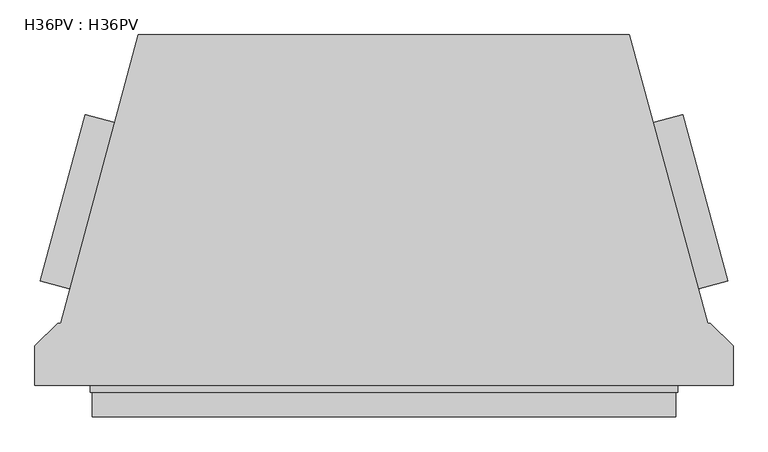
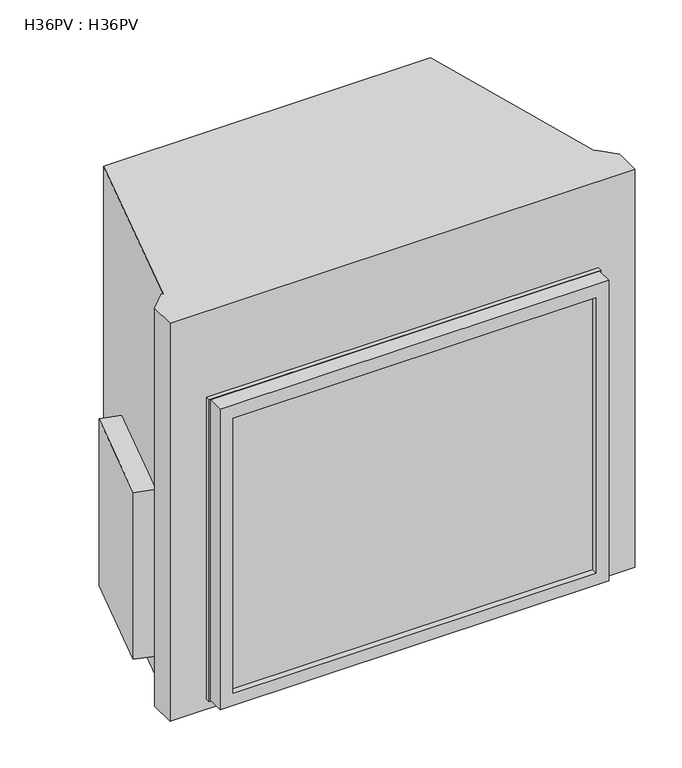
"""IFC4 building model written with IfcOpenShell, lengths in millimetres: proxy geometry, H36PV : H36PV."""

from ifc_helpers import new_model, si_unit, frame, origin, origin_with_axes, place, context, project, spatial, polyline, outline, extrude, faceted_brep, source, transform, mapped, element, save


def h36pv_h36pv_20852b2c(model_context):
    return source(origin(), model_context, "Body", "SolidModel", [
        faceted_brep([(-486.517936, -11.1760003, 822.325), (-486.517936, -52.019204, 822.325), (486.517936, -52.019204, 822.325), (486.517936, -11.1760003, 822.325), (-486.517936, -11.1760003, 28.575), (486.517936, -11.1760003, 28.575), (486.517936, -52.019204, 28.575), (-486.517936, -52.019204, 28.575), (-454.025, -52.019204, 787.4), (454.025, -52.019204, 787.4), (454.025, -52.019204, 60.325), (-454.025, -52.019204, 60.325), (454.025, -36.5125, 787.4), (-454.025, -36.5125, 787.4), (-454.025, -36.5125, 60.325), (454.025, -36.5125, 60.325)], [[[0, 1, 2, 3]], [[4, 5, 6, 7]], [[0, 3, 5, 4]], [[1, 0, 4, 7]], [[2, 1, 7, 6], [8, 9, 10, 11]], [[3, 2, 6, 5]], [[12, 13, 14, 15]], [[13, 12, 9, 8]], [[14, 13, 8, 11]], [[15, 14, 11, 10]], [[12, 15, 10, 9]]]),
        extrude(outline(polyline([(-489.7437394, 0.0), (489.7437394, 0.0), (489.7437394, -11.1760003), (-489.7437394, -11.1760003), (-489.7437394, 0.0)])), frame((0.0, 0.0, 25.4), z_axis=(0.0, 0.0, 1.0), x_axis=(1.0, 0.0, 0.0)), (0.0, 0.0, 1.0), 798.5125),
        extrude(outline(polyline([(-448.2440816, 438.9248731), (-523.9551133, 161.488086), (-572.5721436, 174.5149933), (-498.1412906, 452.2947636), (-448.2440816, 438.9248731)])), frame((0.0, 0.0, 53.975), z_axis=(0.0, 0.0, 1.0), x_axis=(1.0, 0.0, 0.0)), (0.0, 0.0, 1.0), 441.325),
        extrude(outline(polyline([(448.2440816, 438.9248731), (498.1412906, 452.2947636), (572.5721436, 174.5149933), (523.9551133, 161.488086), (448.2440816, 438.9248731)])), frame((0.0, 0.0, 53.975), z_axis=(0.0, 0.0, 1.0), x_axis=(1.0, 0.0, 0.0)), (0.0, 0.0, 1.0), 441.325),
        extrude(outline(polyline([(408.3843827, 584.987429), (539.6674871, 103.911397), (543.7187552, 103.911397), (581.8187594, 65.8114003), (581.8187594, 0.0), (-581.8187594, 0.0), (-581.8187594, 65.8114003), (-543.7187552, 103.911397), (-538.8982892, 103.911397), (-409.9943775, 584.987429), (408.3843827, 584.987429)])), origin_with_axes(), (0.0, 0.0, 1.0), 1051.71875),
    ])


if __name__ == "__main__":
    model = new_model("IFC4")
    model_context = context("Model", 3, world=origin())
    ifc_project = project(units=[si_unit("LENGTHUNIT", "METRE", prefix="MILLI")], contexts=[model_context])
    site = spatial("IfcSite", under=ifc_project)
    building = spatial("IfcBuilding", under=site)
    placement = place(None, origin())
    h36pv_h36pv_shape = h36pv_h36pv_20852b2c(model_context)
    element("IfcBuildingElementProxy", 1, Name="H36PV : H36PV", ObjectType="H36PV : H36PV", at=placement, inside=building, context=model_context, shape_type="MappedRepresentation", body=[
        mapped(h36pv_h36pv_shape, transform((0.0, 0.0, 0.0), x_axis=(1.0, 0.0, 0.0), y_axis=(0.0, 1.0, 0.0), z_axis=(0.0, 0.0, 1.0))),
    ])
    save(model, "model.ifc")
